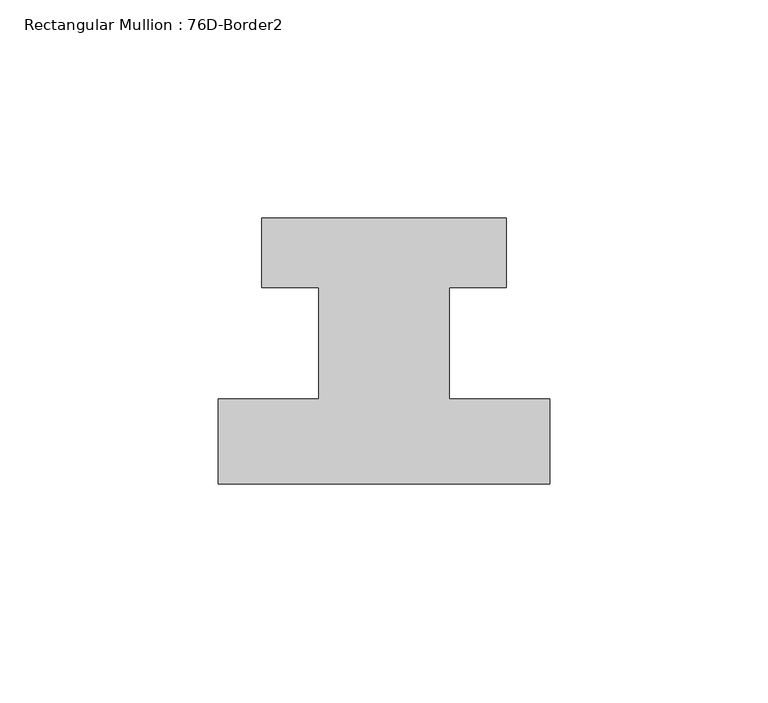
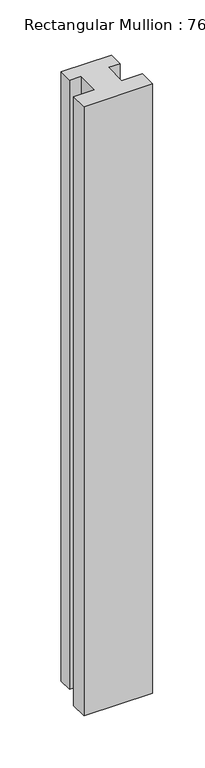
"""IFC4 building model written with IfcOpenShell, lengths in millimetres: member geometry, Rectangular Mullion : 76D-Border2."""

from ifc_helpers import new_model, si_unit, frame, origin, place, context, project, spatial, polyline, outline, extrude, source, transform, mapped, element, save


def rectangular_mullion_76d_border2_cc02b3cd(model_context):
    return source(origin(), model_context, "Body", "SweptSolid", [
        extrude(outline(polyline([(0.0, -20.0), (-76.0, -20.0), (-76.0, -0.5), (-53.0, -0.5), (-53.0, 25.0), (-66.0, 25.0), (-66.0, 41.0), (-10.0, 41.0), (-10.0, 25.0), (-23.0, 25.0), (-23.0, -0.5), (0.0, -0.5), (0.0, -20.0)])), frame((0.0, 0.0, -712.0), z_axis=(0.0, 0.0, 1.0), x_axis=(1.0, 0.0, 0.0)), (0.0, 0.0, 1.0), 712.0),
    ])


if __name__ == "__main__":
    model = new_model("IFC4")
    model_context = context("Model", 3, world=origin())
    ifc_project = project(units=[si_unit("LENGTHUNIT", "METRE", prefix="MILLI")], contexts=[model_context])
    site = spatial("IfcSite", under=ifc_project)
    building = spatial("IfcBuilding", under=site)
    placement = place(None, origin())
    rectangular_mullion_76d_border2_shape = rectangular_mullion_76d_border2_cc02b3cd(model_context)
    element("IfcMember", 1, ObjectType="Rectangular Mullion : 76D-Border2", at=placement, inside=building, context=model_context, shape_type="MappedRepresentation", body=[
        mapped(rectangular_mullion_76d_border2_shape, transform((0.0, 0.0, 0.0), x_axis=(1.0, 0.0, 0.0), y_axis=(0.0, 1.0, 0.0), z_axis=(0.0, 0.0, 1.0))),
    ])
    save(model, "model.ifc")
